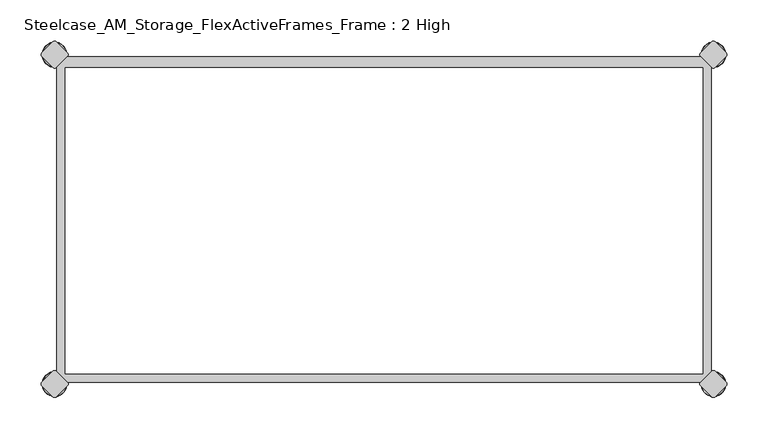
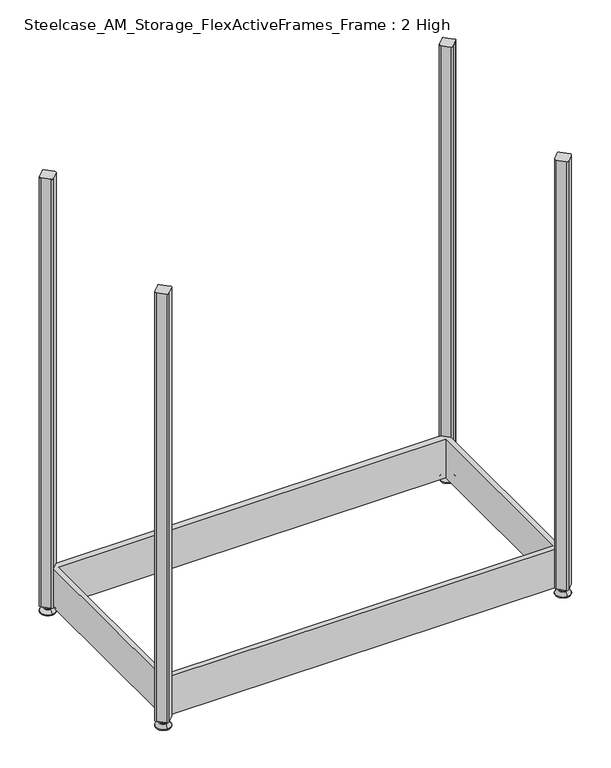
"""IFC4 building model written with IfcOpenShell, lengths in millimetres: furniture geometry, Steelcase_AM_Storage_FlexActiveFrames_Frame : 2 High."""

from ifc_helpers import new_model, si_unit, point, frame, frame_2d, origin, place, context, project, spatial, polyline, circle_curve, ellipse_curve, trimmed, segment, composite_curve, outline, extrude, source, transform, mapped, element, save
from ifc_brep_helpers import plane_surface, cylinder_surface, revolved_surface, advanced_brep


def steelcase_am_storage_flexactiveframes_frame_2_high_db14995c(model_context):
    return source(origin(), model_context, "Body", "SolidModel", [
        extrude(outline(polyline([(2.54, -384.9123305), (2.54, -15.1376695), (15.1376695, -2.54), (784.9623305, -2.54), (797.56, -15.1376695), (797.56, -384.9123305), (784.9623305, -397.51), (15.1376695, -397.51), (2.54, -384.9123305)]), holes=[polyline([(12.7, -15.748), (12.7, -387.35), (787.4, -387.35), (787.4, -15.748), (12.7, -15.748)])]), frame((0.0, 0.0, 15.9766), z_axis=(0.0, 0.0, 1.0), x_axis=(1.0, 0.0, 0.0)), (0.0, 0.0, 1.0), 81.28),
        advanced_brep(
        [(800.1, 3.999659, 15.9766), (800.1, -3.999659, 15.9766), (800.1, 0.0, 15.9766), (800.1, 3.999659, 12.6000054), (800.1, -3.999659, 12.6000054), (800.1, 5.8601455, 12.6000054), (800.1, -5.8601455, 12.6000054), (800.1, 6.4951462, 11.9650074), (800.1, -6.4951462, 11.9650074), (800.1, 6.4951462, 9.0000124), (800.1, -6.4951462, 9.0000124), (800.1, 8.7421976, 9.0000124), (800.1, -8.7421976, 9.0000124), (800.1, 14.7060077, 2.3275608), (800.1, -14.7060077, 2.3275608), (800.1, 13.664601, 0.0), (800.1, -13.664601, 0.0), (800.1, 0.0, 0.0)],
        [
            (0, 1, circle_curve(frame((800.1, 0.0, 15.9766), z_axis=(0.0, 0.0, 1.0), x_axis=(0.0, -1.0, 0.0)), 3.999659)),
            (1, 2),
            (2, 0),
            (1, 0, circle_curve(frame((800.1, 0.0, 15.9766), z_axis=(0.0, 0.0, 1.0), x_axis=(0.0, -1.0, 0.0)), 3.999659)),
            (3, 4, circle_curve(frame((800.1, 0.0, 12.6000054), z_axis=(0.0, 0.0, 1.0), x_axis=(0.0, -1.0, 0.0)), 3.999659)),
            (4, 1),
            (0, 3),
            (4, 3, circle_curve(frame((800.1, 0.0, 12.6000054), z_axis=(0.0, 0.0, 1.0), x_axis=(0.0, -1.0, 0.0)), 3.999659)),
            (5, 6, circle_curve(frame((800.1, 0.0, 12.6000054), z_axis=(0.0, 0.0, 1.0), x_axis=(0.0, -1.0, 0.0)), 5.8601455)),
            (6, 4),
            (3, 5),
            (6, 5, circle_curve(frame((800.1, 0.0, 12.6000054), z_axis=(0.0, 0.0, 1.0), x_axis=(0.0, -1.0, 0.0)), 5.8601455)),
            (7, 8, circle_curve(frame((800.1, 0.0, 11.9650074), z_axis=(0.0, 0.0, 1.0), x_axis=(0.0, -1.0, 0.0)), 6.4951462)),
            (8, 6, circle_curve(frame((800.1, -5.8601462, 11.9650074), z_axis=(-1.0, 0.0, 0.0), x_axis=(0.0, -1.0, 0.0)), 0.635)),
            (5, 7, circle_curve(frame((800.1, 5.8601462, 11.9650074), z_axis=(-1.0, 0.0, 0.0), x_axis=(0.0, 1.0, 0.0)), 0.635)),
            (8, 7, circle_curve(frame((800.1, 0.0, 11.9650074), z_axis=(0.0, 0.0, 1.0), x_axis=(0.0, -1.0, 0.0)), 6.4951462)),
            (9, 10, circle_curve(frame((800.1, 0.0, 9.0000124), z_axis=(0.0, 0.0, 1.0), x_axis=(0.0, -1.0, 0.0)), 6.4951462)),
            (10, 8),
            (7, 9),
            (10, 9, circle_curve(frame((800.1, 0.0, 9.0000124), z_axis=(0.0, 0.0, 1.0), x_axis=(0.0, -1.0, 0.0)), 6.4951462)),
            (11, 12, circle_curve(frame((800.1, 0.0, 9.0000124), z_axis=(0.0, 0.0, 1.0), x_axis=(0.0, -1.0, 0.0)), 8.7421976)),
            (12, 10),
            (9, 11),
            (12, 11, circle_curve(frame((800.1, 0.0, 9.0000124), z_axis=(0.0, 0.0, 1.0), x_axis=(0.0, -1.0, 0.0)), 8.7421976)),
            (13, 14, circle_curve(frame((800.1, 0.0, 2.3275608), z_axis=(0.0, 0.0, 1.0), x_axis=(0.0, -1.0, 0.0)), 14.7060077)),
            (14, 12),
            (11, 13),
            (14, 13, circle_curve(frame((800.1, 0.0, 2.3275608), z_axis=(0.0, 0.0, 1.0), x_axis=(0.0, -1.0, 0.0)), 14.7060077)),
            (15, 16, circle_curve(frame((800.1, 0.0, 0.0), z_axis=(0.0, 0.0, 1.0), x_axis=(0.0, -1.0, 0.0)), 13.664601)),
            (16, 14, circle_curve(frame((800.1, -13.664601, 1.3967556), z_axis=(-1.0, 0.0, 0.0), x_axis=(0.0, -1.0, 0.0)), 1.3967556)),
            (13, 15, circle_curve(frame((800.1, 13.664601, 1.3967556), z_axis=(-1.0, 0.0, 0.0), x_axis=(0.0, 1.0, 0.0)), 1.3967556)),
            (16, 15, circle_curve(frame((800.1, 0.0, 0.0), z_axis=(0.0, 0.0, 1.0), x_axis=(0.0, -1.0, 0.0)), 13.664601)),
            (17, 16),
            (15, 17),
        ],
        [
            plane_surface(frame((800.1, 0.0, 15.9766), z_axis=(0.0, 0.0, 1.0), x_axis=(0.0, -1.0, 0.0))),
            cylinder_surface(frame((800.1, 0.0, -4.132372), z_axis=(0.0, 0.0, -1.0), x_axis=(0.0, -1.0, 0.0)), 3.999659),
            plane_surface(frame((800.1, 0.0, 12.6000054), z_axis=(0.0, 0.0, 1.0), x_axis=(0.0, -1.0, 0.0))),
            revolved_surface(trimmed(ellipse_curve(frame((800.1, -5.8601462, 11.9650074), z_axis=(1.0, 0.0, 0.0), x_axis=(0.0, -1.0, 0.0)), 0.635, 0.635), [point((800.1, -5.8601455, 12.6000074))], [point((800.1, -6.4951462, 11.9650074))], True, "CARTESIAN"), (800.1, 0.0, -4.132372), (0.0, 0.0, -1.0)),
            cylinder_surface(frame((800.1, 0.0, -4.132372), z_axis=(0.0, 0.0, -1.0), x_axis=(0.0, -1.0, 0.0)), 6.4951462),
            plane_surface(frame((800.1, 0.0, 9.0000124), z_axis=(0.0, 0.0, 1.0), x_axis=(0.0, -1.0, 0.0))),
            revolved_surface(polyline([(800.1, -8.7421976, 9.0000124), (800.1, -14.7060077, 2.3275608)]), (800.1, 0.0, -4.132372), (0.0, 0.0, -1.0)),
            revolved_surface(trimmed(ellipse_curve(frame((800.1, -13.664601, 1.3967556), z_axis=(1.0, 0.0, 0.0), x_axis=(0.0, -1.0, 0.0)), 1.3967556, 1.3967556), [point((800.1, -14.7060077, 2.3275608))], [point((800.1, -13.664601, 0.0))], True, "CARTESIAN"), (800.1, 0.0, -4.132372), (0.0, 0.0, -1.0)),
            plane_surface(frame((800.1, 0.0, 0.0), z_axis=(0.0, 0.0, -1.0), x_axis=(0.0, -1.0, 0.0))),
        ],
        [
            (0, [[1, 2, 3]]),
            (0, [[4, -3, -2]]),
            (1, [[5, 6, -1, 7]]),
            (1, [[8, -7, -4, -6]]),
            (2, [[9, 10, -5, 11]]),
            (2, [[12, -11, -8, -10]]),
            (3, [[13, 14, -9, 15]]),
            (3, [[16, -15, -12, -14]]),
            (4, [[17, 18, -13, 19]]),
            (4, [[20, -19, -16, -18]]),
            (5, [[21, 22, -17, 23]]),
            (5, [[24, -23, -20, -22]]),
            (6, [[25, 26, -21, 27]]),
            (6, [[28, -27, -24, -26]]),
            (7, [[29, 30, -25, 31]]),
            (7, [[32, -31, -28, -30]]),
            (8, [[33, -29, 34]]),
            (8, [[-34, -32, -33]]),
        ],
    ),
        advanced_brep(
        [(800.1, -400.05, 15.9766), (800.1, -396.050341, 15.9766), (800.1, -404.049659, 15.9766), (800.1, -396.050341, 12.6000054), (800.1, -404.049659, 12.6000054), (800.1, -394.1898545, 12.6000074), (800.1, -405.9101455, 12.6000074), (800.1, -393.5548538, 11.9650074), (800.1, -406.5451462, 11.9650074), (800.1, -393.5548538, 9.0000124), (800.1, -406.5451462, 9.0000124), (800.1, -391.3078024, 9.0000124), (800.1, -408.7921976, 9.0000124), (800.1, -385.3439923, 2.3275608), (800.1, -414.7560077, 2.3275608), (800.1, -386.385399, 0.0), (800.1, -413.714601, 0.0), (800.1, -400.05, 0.0)],
        [
            (0, 1),
            (1, 2, circle_curve(frame((800.1, -400.05, 15.9766), z_axis=(0.0, 0.0, 1.0), x_axis=(0.0, 1.0, 0.0)), 3.999659)),
            (2, 0),
            (2, 1, circle_curve(frame((800.1, -400.05, 15.9766), z_axis=(0.0, 0.0, 1.0), x_axis=(0.0, 1.0, 0.0)), 3.999659)),
            (1, 3),
            (3, 4, circle_curve(frame((800.1, -400.05, 12.6000054), z_axis=(0.0, 0.0, 1.0), x_axis=(0.0, 1.0, 0.0)), 3.999659)),
            (4, 2),
            (4, 3, circle_curve(frame((800.1, -400.05, 12.6000054), z_axis=(0.0, 0.0, 1.0), x_axis=(0.0, 1.0, 0.0)), 3.999659)),
            (3, 5),
            (5, 6, circle_curve(frame((800.1, -400.05, 12.6000074), z_axis=(0.0, 0.0, 1.0), x_axis=(0.0, 1.0, 0.0)), 5.8601455)),
            (6, 4),
            (6, 5, circle_curve(frame((800.1, -400.05, 12.6000074), z_axis=(0.0, 0.0, 1.0), x_axis=(0.0, 1.0, 0.0)), 5.8601455)),
            (5, 7, circle_curve(frame((800.1, -394.1898538, 11.9650074), z_axis=(-1.0, 0.0, 0.0), x_axis=(0.0, 1.0, 0.0)), 0.635)),
            (7, 8, circle_curve(frame((800.1, -400.05, 11.9650074), z_axis=(0.0, 0.0, 1.0), x_axis=(0.0, 1.0, 0.0)), 6.4951462)),
            (8, 6, circle_curve(frame((800.1, -405.9101462, 11.9650074), z_axis=(-1.0, 0.0, 0.0), x_axis=(0.0, -1.0, 0.0)), 0.635)),
            (8, 7, circle_curve(frame((800.1, -400.05, 11.9650074), z_axis=(0.0, 0.0, 1.0), x_axis=(0.0, 1.0, 0.0)), 6.4951462)),
            (7, 9),
            (9, 10, circle_curve(frame((800.1, -400.05, 9.0000124), z_axis=(0.0, 0.0, 1.0), x_axis=(0.0, 1.0, 0.0)), 6.4951462)),
            (10, 8),
            (10, 9, circle_curve(frame((800.1, -400.05, 9.0000124), z_axis=(0.0, 0.0, 1.0), x_axis=(0.0, 1.0, 0.0)), 6.4951462)),
            (9, 11),
            (11, 12, circle_curve(frame((800.1, -400.05, 9.0000124), z_axis=(0.0, 0.0, 1.0), x_axis=(0.0, 1.0, 0.0)), 8.7421976)),
            (12, 10),
            (12, 11, circle_curve(frame((800.1, -400.05, 9.0000124), z_axis=(0.0, 0.0, 1.0), x_axis=(0.0, 1.0, 0.0)), 8.7421976)),
            (11, 13),
            (13, 14, circle_curve(frame((800.1, -400.05, 2.3275608), z_axis=(0.0, 0.0, 1.0), x_axis=(0.0, 1.0, 0.0)), 14.7060077)),
            (14, 12),
            (14, 13, circle_curve(frame((800.1, -400.05, 2.3275608), z_axis=(0.0, 0.0, 1.0), x_axis=(0.0, 1.0, 0.0)), 14.7060077)),
            (13, 15, circle_curve(frame((800.1, -386.385399, 1.3967556), z_axis=(-1.0, 0.0, 0.0), x_axis=(0.0, 1.0, 0.0)), 1.3967556)),
            (15, 16, circle_curve(frame((800.1, -400.05, 0.0), z_axis=(0.0, 0.0, 1.0), x_axis=(0.0, 1.0, 0.0)), 13.664601)),
            (16, 14, circle_curve(frame((800.1, -413.714601, 1.3967556), z_axis=(-1.0, 0.0, 0.0), x_axis=(0.0, -1.0, 0.0)), 1.3967556)),
            (16, 15, circle_curve(frame((800.1, -400.05, 0.0), z_axis=(0.0, 0.0, 1.0), x_axis=(0.0, 1.0, 0.0)), 13.664601)),
            (15, 17),
            (17, 16),
        ],
        [
            plane_surface(frame((800.1, -400.05, 15.9766), z_axis=(0.0, 0.0, 1.0), x_axis=(0.0, 1.0, 0.0))),
            cylinder_surface(frame((800.1, -400.05, -4.132372), z_axis=(0.0, 0.0, 1.0), x_axis=(0.0, 1.0, 0.0)), 3.999659),
            plane_surface(frame((800.1, -400.05, 12.6000074), z_axis=(0.0, 0.0, 1.0), x_axis=(0.0, 1.0, 0.0))),
            revolved_surface(trimmed(ellipse_curve(frame((800.1, -394.1898538, 11.9650074), z_axis=(1.0, 0.0, 0.0), x_axis=(0.0, 1.0, 0.0)), 0.635, 0.635), [point((800.1, -393.5548538, 11.9650074))], [point((800.1, -394.1898545, 12.6000074))], True, "CARTESIAN"), (800.1, -400.05, -4.132372), (0.0, 0.0, 1.0)),
            cylinder_surface(frame((800.1, -400.05, -4.132372), z_axis=(0.0, 0.0, 1.0), x_axis=(0.0, 1.0, 0.0)), 6.4951462),
            plane_surface(frame((800.1, -400.05, 9.0000124), z_axis=(0.0, 0.0, 1.0), x_axis=(0.0, 1.0, 0.0))),
            revolved_surface(polyline([(800.1, -385.3439923, 2.3275608), (800.1, -391.3078024, 9.0000124)]), (800.1, -400.05, -4.132372), (0.0, 0.0, 1.0)),
            revolved_surface(trimmed(ellipse_curve(frame((800.1, -386.385399, 1.3967556), z_axis=(1.0, 0.0, 0.0), x_axis=(0.0, 1.0, 0.0)), 1.3967556, 1.3967556), [point((800.1, -386.385399, 0.0))], [point((800.1, -385.3439923, 2.3275608))], True, "CARTESIAN"), (800.1, -400.05, -4.132372), (0.0, 0.0, 1.0)),
            plane_surface(frame((800.1, -400.05, 0.0), z_axis=(0.0, 0.0, -1.0), x_axis=(0.0, 1.0, 0.0))),
        ],
        [
            (0, [[1, 2, 3]]),
            (0, [[-3, 4, -1]]),
            (1, [[-2, 5, 6, 7]]),
            (1, [[-4, -7, 8, -5]]),
            (2, [[-6, 9, 10, 11]]),
            (2, [[-8, -11, 12, -9]]),
            (3, [[-10, 13, 14, 15]]),
            (3, [[-12, -15, 16, -13]]),
            (4, [[-14, 17, 18, 19]]),
            (4, [[-16, -19, 20, -17]]),
            (5, [[-18, 21, 22, 23]]),
            (5, [[-20, -23, 24, -21]]),
            (6, [[-22, 25, 26, 27]]),
            (6, [[-24, -27, 28, -25]]),
            (7, [[-26, 29, 30, 31]]),
            (7, [[-28, -31, 32, -29]]),
            (8, [[-30, 33, 34]]),
            (8, [[-32, -34, -33]]),
        ],
    ),
        advanced_brep(
        [(0.0, -400.05, 15.9766), (0.0, -396.050341, 15.9766), (0.0, -404.049659, 15.9766), (0.0, -396.050341, 12.6000054), (0.0, -404.049659, 12.6000054), (0.0, -394.1898545, 12.6000074), (0.0, -405.9101455, 12.6000074), (0.0, -393.5548538, 11.9650074), (0.0, -406.5451462, 11.9650074), (0.0, -393.5548538, 9.0000124), (0.0, -406.5451462, 9.0000124), (0.0, -391.3078024, 9.0000124), (0.0, -408.7921976, 9.0000124), (0.0, -385.3439923, 2.3275608), (0.0, -414.7560077, 2.3275608), (0.0, -386.385399, 0.0), (0.0, -413.714601, 0.0), (0.0, -400.05, 0.0)],
        [
            (0, 1),
            (1, 2, circle_curve(frame((0.0, -400.05, 15.9766), z_axis=(0.0, 0.0, 1.0), x_axis=(0.0, 1.0, 0.0)), 3.999659)),
            (2, 0),
            (2, 1, circle_curve(frame((0.0, -400.05, 15.9766), z_axis=(0.0, 0.0, 1.0), x_axis=(0.0, 1.0, 0.0)), 3.999659)),
            (1, 3),
            (3, 4, circle_curve(frame((0.0, -400.05, 12.6000054), z_axis=(0.0, 0.0, 1.0), x_axis=(0.0, 1.0, 0.0)), 3.999659)),
            (4, 2),
            (4, 3, circle_curve(frame((0.0, -400.05, 12.6000054), z_axis=(0.0, 0.0, 1.0), x_axis=(0.0, 1.0, 0.0)), 3.999659)),
            (3, 5),
            (5, 6, circle_curve(frame((0.0, -400.05, 12.6000074), z_axis=(0.0, 0.0, 1.0), x_axis=(0.0, 1.0, 0.0)), 5.8601455)),
            (6, 4),
            (6, 5, circle_curve(frame((0.0, -400.05, 12.6000074), z_axis=(0.0, 0.0, 1.0), x_axis=(0.0, 1.0, 0.0)), 5.8601455)),
            (5, 7, circle_curve(frame((0.0, -394.1898538, 11.9650074), z_axis=(-1.0, 0.0, 0.0), x_axis=(0.0, -1.0, 0.0)), 0.635)),
            (7, 8, circle_curve(frame((0.0, -400.05, 11.9650074), z_axis=(0.0, 0.0, 1.0), x_axis=(0.0, 1.0, 0.0)), 6.4951462)),
            (8, 6, circle_curve(frame((0.0, -405.9101462, 11.9650074), z_axis=(-1.0, 0.0, 0.0), x_axis=(0.0, 1.0, 0.0)), 0.635)),
            (8, 7, circle_curve(frame((0.0, -400.05, 11.9650074), z_axis=(0.0, 0.0, 1.0), x_axis=(0.0, 1.0, 0.0)), 6.4951462)),
            (7, 9),
            (9, 10, circle_curve(frame((0.0, -400.05, 9.0000124), z_axis=(0.0, 0.0, 1.0), x_axis=(0.0, 1.0, 0.0)), 6.4951462)),
            (10, 8),
            (10, 9, circle_curve(frame((0.0, -400.05, 9.0000124), z_axis=(0.0, 0.0, 1.0), x_axis=(0.0, 1.0, 0.0)), 6.4951462)),
            (9, 11),
            (11, 12, circle_curve(frame((0.0, -400.05, 9.0000124), z_axis=(0.0, 0.0, 1.0), x_axis=(0.0, 1.0, 0.0)), 8.7421976)),
            (12, 10),
            (12, 11, circle_curve(frame((0.0, -400.05, 9.0000124), z_axis=(0.0, 0.0, 1.0), x_axis=(0.0, 1.0, 0.0)), 8.7421976)),
            (11, 13),
            (13, 14, circle_curve(frame((0.0, -400.05, 2.3275608), z_axis=(0.0, 0.0, 1.0), x_axis=(0.0, 1.0, 0.0)), 14.7060077)),
            (14, 12),
            (14, 13, circle_curve(frame((0.0, -400.05, 2.3275608), z_axis=(0.0, 0.0, 1.0), x_axis=(0.0, 1.0, 0.0)), 14.7060077)),
            (13, 15, circle_curve(frame((0.0, -386.385399, 1.3967556), z_axis=(-1.0, 0.0, 0.0), x_axis=(0.0, -1.0, 0.0)), 1.3967556)),
            (15, 16, circle_curve(frame((0.0, -400.05, 0.0), z_axis=(0.0, 0.0, 1.0), x_axis=(0.0, 1.0, 0.0)), 13.664601)),
            (16, 14, circle_curve(frame((0.0, -413.714601, 1.3967556), z_axis=(-1.0, 0.0, 0.0), x_axis=(0.0, 1.0, 0.0)), 1.3967556)),
            (16, 15, circle_curve(frame((0.0, -400.05, 0.0), z_axis=(0.0, 0.0, 1.0), x_axis=(0.0, 1.0, 0.0)), 13.664601)),
            (15, 17),
            (17, 16),
        ],
        [
            plane_surface(frame((0.0, -400.05, 15.9766), z_axis=(0.0, 0.0, 1.0), x_axis=(0.0, 1.0, 0.0))),
            cylinder_surface(frame((0.0, -400.05, -4.132372), z_axis=(0.0, 0.0, 1.0), x_axis=(0.0, 1.0, 0.0)), 3.999659),
            plane_surface(frame((0.0, -400.05, 12.6000074), z_axis=(0.0, 0.0, 1.0), x_axis=(0.0, 1.0, 0.0))),
            revolved_surface(trimmed(ellipse_curve(frame((0.0, -394.1898538, 11.9650074), z_axis=(1.0, 0.0, 0.0), x_axis=(0.0, -1.0, 0.0)), 0.635, 0.635), [point((0.0, -393.5548538, 11.9650074))], [point((0.0, -394.1898545, 12.6000074))], True, "CARTESIAN"), (0.0, -400.05, -4.132372), (0.0, 0.0, 1.0)),
            cylinder_surface(frame((0.0, -400.05, -4.132372), z_axis=(0.0, 0.0, 1.0), x_axis=(0.0, 1.0, 0.0)), 6.4951462),
            plane_surface(frame((0.0, -400.05, 9.0000124), z_axis=(0.0, 0.0, 1.0), x_axis=(0.0, 1.0, 0.0))),
            revolved_surface(polyline([(0.0, -385.3439923, 2.3275608), (0.0, -391.3078024, 9.0000124)]), (0.0, -400.05, -4.132372), (0.0, 0.0, 1.0)),
            revolved_surface(trimmed(ellipse_curve(frame((0.0, -386.385399, 1.3967556), z_axis=(1.0, 0.0, 0.0), x_axis=(0.0, -1.0, 0.0)), 1.3967556, 1.3967556), [point((0.0, -386.385399, 0.0))], [point((0.0, -385.3439923, 2.3275608))], True, "CARTESIAN"), (0.0, -400.05, -4.132372), (0.0, 0.0, 1.0)),
            plane_surface(frame((0.0, -400.05, 0.0), z_axis=(0.0, 0.0, -1.0), x_axis=(0.0, 1.0, 0.0))),
        ],
        [
            (0, [[1, 2, 3]]),
            (0, [[-3, 4, -1]]),
            (1, [[-2, 5, 6, 7]]),
            (1, [[-4, -7, 8, -5]]),
            (2, [[-6, 9, 10, 11]]),
            (2, [[-8, -11, 12, -9]]),
            (3, [[-10, 13, 14, 15]]),
            (3, [[-12, -15, 16, -13]]),
            (4, [[-14, 17, 18, 19]]),
            (4, [[-16, -19, 20, -17]]),
            (5, [[-18, 21, 22, 23]]),
            (5, [[-20, -23, 24, -21]]),
            (6, [[-22, 25, 26, 27]]),
            (6, [[-24, -27, 28, -25]]),
            (7, [[-26, 29, 30, 31]]),
            (7, [[-28, -31, 32, -29]]),
            (8, [[-30, 33, 34]]),
            (8, [[-32, -34, -33]]),
        ],
    ),
        advanced_brep(
        [(0.0, 3.999659, 15.9766), (0.0, -3.999659, 15.9766), (0.0, 0.0, 15.9766), (0.0, 3.999659, 12.6000054), (0.0, -3.999659, 12.6000054), (0.0, 5.8601455, 12.6000054), (0.0, -5.8601455, 12.6000054), (0.0, 6.4951462, 11.9650074), (0.0, -6.4951462, 11.9650074), (0.0, 6.4951462, 9.0000124), (0.0, -6.4951462, 9.0000124), (0.0, 8.7421976, 9.0000124), (0.0, -8.7421976, 9.0000124), (0.0, 14.7060077, 2.3275608), (0.0, -14.7060077, 2.3275608), (0.0, 13.664601, 0.0), (0.0, -13.664601, 0.0), (0.0, 0.0, 0.0)],
        [
            (0, 1, circle_curve(frame((0.0, 0.0, 15.9766), z_axis=(0.0, 0.0, 1.0), x_axis=(0.0, -1.0, 0.0)), 3.999659)),
            (1, 2),
            (2, 0),
            (1, 0, circle_curve(frame((0.0, 0.0, 15.9766), z_axis=(0.0, 0.0, 1.0), x_axis=(0.0, -1.0, 0.0)), 3.999659)),
            (3, 4, circle_curve(frame((0.0, 0.0, 12.6000054), z_axis=(0.0, 0.0, 1.0), x_axis=(0.0, -1.0, 0.0)), 3.999659)),
            (4, 1),
            (0, 3),
            (4, 3, circle_curve(frame((0.0, 0.0, 12.6000054), z_axis=(0.0, 0.0, 1.0), x_axis=(0.0, -1.0, 0.0)), 3.999659)),
            (5, 6, circle_curve(frame((0.0, 0.0, 12.6000054), z_axis=(0.0, 0.0, 1.0), x_axis=(0.0, -1.0, 0.0)), 5.8601455)),
            (6, 4),
            (3, 5),
            (6, 5, circle_curve(frame((0.0, 0.0, 12.6000054), z_axis=(0.0, 0.0, 1.0), x_axis=(0.0, -1.0, 0.0)), 5.8601455)),
            (7, 8, circle_curve(frame((0.0, 0.0, 11.9650074), z_axis=(0.0, 0.0, 1.0), x_axis=(0.0, -1.0, 0.0)), 6.4951462)),
            (8, 6, circle_curve(frame((0.0, -5.8601462, 11.9650074), z_axis=(-1.0, 0.0, 0.0), x_axis=(0.0, 1.0, 0.0)), 0.635)),
            (5, 7, circle_curve(frame((0.0, 5.8601462, 11.9650074), z_axis=(-1.0, 0.0, 0.0), x_axis=(0.0, -1.0, 0.0)), 0.635)),
            (8, 7, circle_curve(frame((0.0, 0.0, 11.9650074), z_axis=(0.0, 0.0, 1.0), x_axis=(0.0, -1.0, 0.0)), 6.4951462)),
            (9, 10, circle_curve(frame((0.0, 0.0, 9.0000124), z_axis=(0.0, 0.0, 1.0), x_axis=(0.0, -1.0, 0.0)), 6.4951462)),
            (10, 8),
            (7, 9),
            (10, 9, circle_curve(frame((0.0, 0.0, 9.0000124), z_axis=(0.0, 0.0, 1.0), x_axis=(0.0, -1.0, 0.0)), 6.4951462)),
            (11, 12, circle_curve(frame((0.0, 0.0, 9.0000124), z_axis=(0.0, 0.0, 1.0), x_axis=(0.0, -1.0, 0.0)), 8.7421976)),
            (12, 10),
            (9, 11),
            (12, 11, circle_curve(frame((0.0, 0.0, 9.0000124), z_axis=(0.0, 0.0, 1.0), x_axis=(0.0, -1.0, 0.0)), 8.7421976)),
            (13, 14, circle_curve(frame((0.0, 0.0, 2.3275608), z_axis=(0.0, 0.0, 1.0), x_axis=(0.0, -1.0, 0.0)), 14.7060077)),
            (14, 12),
            (11, 13),
            (14, 13, circle_curve(frame((0.0, 0.0, 2.3275608), z_axis=(0.0, 0.0, 1.0), x_axis=(0.0, -1.0, 0.0)), 14.7060077)),
            (15, 16, circle_curve(frame((0.0, 0.0, 0.0), z_axis=(0.0, 0.0, 1.0), x_axis=(0.0, -1.0, 0.0)), 13.664601)),
            (16, 14, circle_curve(frame((0.0, -13.664601, 1.3967556), z_axis=(-1.0, 0.0, 0.0), x_axis=(0.0, 1.0, 0.0)), 1.3967556)),
            (13, 15, circle_curve(frame((0.0, 13.664601, 1.3967556), z_axis=(-1.0, 0.0, 0.0), x_axis=(0.0, -1.0, 0.0)), 1.3967556)),
            (16, 15, circle_curve(frame((0.0, 0.0, 0.0), z_axis=(0.0, 0.0, 1.0), x_axis=(0.0, -1.0, 0.0)), 13.664601)),
            (17, 16),
            (15, 17),
        ],
        [
            plane_surface(frame((0.0, 0.0, 15.9766), z_axis=(0.0, 0.0, 1.0), x_axis=(0.0, -1.0, 0.0))),
            cylinder_surface(frame((0.0, 0.0, -4.132372), z_axis=(0.0, 0.0, -1.0), x_axis=(0.0, -1.0, 0.0)), 3.999659),
            plane_surface(frame((0.0, 0.0, 12.6000054), z_axis=(0.0, 0.0, 1.0), x_axis=(0.0, -1.0, 0.0))),
            revolved_surface(trimmed(ellipse_curve(frame((0.0, -5.8601462, 11.9650074), z_axis=(1.0, 0.0, 0.0), x_axis=(0.0, 1.0, 0.0)), 0.635, 0.635), [point((0.0, -5.8601455, 12.6000074))], [point((0.0, -6.4951462, 11.9650074))], True, "CARTESIAN"), (0.0, 0.0, -4.132372), (0.0, 0.0, -1.0)),
            cylinder_surface(frame((0.0, 0.0, -4.132372), z_axis=(0.0, 0.0, -1.0), x_axis=(0.0, -1.0, 0.0)), 6.4951462),
            plane_surface(frame((0.0, 0.0, 9.0000124), z_axis=(0.0, 0.0, 1.0), x_axis=(0.0, -1.0, 0.0))),
            revolved_surface(polyline([(0.0, -8.7421976, 9.0000124), (0.0, -14.7060077, 2.3275608)]), (0.0, 0.0, -4.132372), (0.0, 0.0, -1.0)),
            revolved_surface(trimmed(ellipse_curve(frame((0.0, -13.664601, 1.3967556), z_axis=(1.0, 0.0, 0.0), x_axis=(0.0, 1.0, 0.0)), 1.3967556, 1.3967556), [point((0.0, -14.7060077, 2.3275608))], [point((0.0, -13.664601, 0.0))], True, "CARTESIAN"), (0.0, 0.0, -4.132372), (0.0, 0.0, -1.0)),
            plane_surface(frame((0.0, 0.0, 0.0), z_axis=(0.0, 0.0, -1.0), x_axis=(0.0, -1.0, 0.0))),
        ],
        [
            (0, [[1, 2, 3]]),
            (0, [[4, -3, -2]]),
            (1, [[5, 6, -1, 7]]),
            (1, [[8, -7, -4, -6]]),
            (2, [[9, 10, -5, 11]]),
            (2, [[12, -11, -8, -10]]),
            (3, [[13, 14, -9, 15]]),
            (3, [[16, -15, -12, -14]]),
            (4, [[17, 18, -13, 19]]),
            (4, [[20, -19, -16, -18]]),
            (5, [[21, 22, -17, 23]]),
            (5, [[24, -23, -20, -22]]),
            (6, [[25, 26, -21, 27]]),
            (6, [[28, -27, -24, -26]]),
            (7, [[29, 30, -25, 31]]),
            (7, [[32, -31, -28, -30]]),
            (8, [[33, -29, 34]]),
            (8, [[-34, -32, -33]]),
        ],
    ),
        extrude(outline(composite_curve([segment(polyline([(-2.245064, -15.4326055), (-15.4326055, -2.245064)]), True, "CONTINUOUS"), segment(trimmed(circle_curve(frame_2d((-13.1875415, 0.0)), 3.175), [point((-15.4326055, -2.245064))], [point((-15.4326055, 2.245064))], False, "CARTESIAN"), True, "CONTINUOUS"), segment(polyline([(-15.4326055, 2.245064), (-2.245064, 15.4326055)]), True, "CONTINUOUS"), segment(trimmed(circle_curve(frame_2d((0.0, 13.1875415)), 3.175), [point((-2.245064, 15.4326055))], [point((2.245064, 15.4326055))], False, "CARTESIAN"), True, "CONTINUOUS"), segment(polyline([(2.245064, 15.4326055), (15.4326055, 2.245064)]), True, "CONTINUOUS"), segment(trimmed(circle_curve(frame_2d((13.1875415, 0.0)), 3.175), [point((15.4326055, 2.245064))], [point((15.4326055, -2.245064))], False, "CARTESIAN"), True, "CONTINUOUS"), segment(polyline([(15.4326055, -2.245064), (2.245064, -15.4326055)]), True, "CONTINUOUS"), segment(trimmed(circle_curve(frame_2d((0.0, -13.1875415)), 3.175), [point((2.245064, -15.4326055))], [point((-2.245064, -15.4326055))], False, "CARTESIAN"), True, "CONTINUOUS")], self_intersect=False)), frame((0.0, 0.0, 15.9766), z_axis=(0.0, 0.0, 1.0), x_axis=(1.0, 0.0, 0.0)), (0.0, 0.0, 1.0), 907.3134),
        extrude(outline(composite_curve([segment(trimmed(circle_curve(frame_2d((800.1, -13.1875415)), 3.175), [point((802.345064, -15.4326055))], [point((797.854936, -15.4326055))], False, "CARTESIAN"), True, "CONTINUOUS"), segment(polyline([(797.854936, -15.4326055), (784.6673945, -2.245064)]), True, "CONTINUOUS"), segment(trimmed(circle_curve(frame_2d((786.9124585, 0.0)), 3.175), [point((784.6673945, -2.245064))], [point((784.6673945, 2.245064))], False, "CARTESIAN"), True, "CONTINUOUS"), segment(polyline([(784.6673945, 2.245064), (797.854936, 15.4326055)]), True, "CONTINUOUS"), segment(trimmed(circle_curve(frame_2d((800.1, 13.1875415)), 3.175), [point((797.854936, 15.4326055))], [point((802.345064, 15.4326055))], False, "CARTESIAN"), True, "CONTINUOUS"), segment(polyline([(802.345064, 15.4326055), (815.5326055, 2.245064)]), True, "CONTINUOUS"), segment(trimmed(circle_curve(frame_2d((813.2875415, 0.0)), 3.175), [point((815.5326055, 2.245064))], [point((815.5326055, -2.245064))], False, "CARTESIAN"), True, "CONTINUOUS"), segment(polyline([(815.5326055, -2.245064), (802.345064, -15.4326055)]), True, "CONTINUOUS")], self_intersect=False)), frame((0.0, 0.0, 15.9766), z_axis=(0.0, 0.0, 1.0), x_axis=(1.0, 0.0, 0.0)), (0.0, 0.0, 1.0), 907.3134),
        extrude(outline(composite_curve([segment(polyline([(802.345064, -384.6173945), (815.5326055, -397.804936)]), True, "CONTINUOUS"), segment(trimmed(circle_curve(frame_2d((813.2875415, -400.05)), 3.175), [point((815.5326055, -397.804936))], [point((815.5326055, -402.295064))], False, "CARTESIAN"), True, "CONTINUOUS"), segment(polyline([(815.5326055, -402.295064), (802.345064, -415.4826055)]), True, "CONTINUOUS"), segment(trimmed(circle_curve(frame_2d((800.1, -413.2375415)), 3.175), [point((802.345064, -415.4826055))], [point((797.854936, -415.4826055))], False, "CARTESIAN"), True, "CONTINUOUS"), segment(polyline([(797.854936, -415.4826055), (784.6673945, -402.295064)]), True, "CONTINUOUS"), segment(trimmed(circle_curve(frame_2d((786.9124585, -400.05)), 3.175), [point((784.6673945, -402.295064))], [point((784.6673945, -397.804936))], False, "CARTESIAN"), True, "CONTINUOUS"), segment(polyline([(784.6673945, -397.804936), (797.854936, -384.6173945)]), True, "CONTINUOUS"), segment(trimmed(circle_curve(frame_2d((800.1, -386.8624585)), 3.175), [point((797.854936, -384.6173945))], [point((802.345064, -384.6173945))], False, "CARTESIAN"), True, "CONTINUOUS")], self_intersect=False)), frame((0.0, 0.0, 15.9766), z_axis=(0.0, 0.0, 1.0), x_axis=(1.0, 0.0, 0.0)), (0.0, 0.0, 1.0), 907.3134),
        extrude(outline(composite_curve([segment(trimmed(circle_curve(frame_2d((0.0, -386.8624585)), 3.175), [point((-2.245064, -384.6173945))], [point((2.245064, -384.6173945))], False, "CARTESIAN"), True, "CONTINUOUS"), segment(polyline([(2.245064, -384.6173945), (15.4326055, -397.804936)]), True, "CONTINUOUS"), segment(trimmed(circle_curve(frame_2d((13.1875415, -400.05)), 3.175), [point((15.4326055, -397.804936))], [point((15.4326055, -402.295064))], False, "CARTESIAN"), True, "CONTINUOUS"), segment(polyline([(15.4326055, -402.295064), (2.245064, -415.4826055)]), True, "CONTINUOUS"), segment(trimmed(circle_curve(frame_2d((0.0, -413.2375415)), 3.175), [point((2.245064, -415.4826055))], [point((-2.245064, -415.4826055))], False, "CARTESIAN"), True, "CONTINUOUS"), segment(polyline([(-2.245064, -415.4826055), (-15.4326055, -402.295064)]), True, "CONTINUOUS"), segment(trimmed(circle_curve(frame_2d((-13.1875415, -400.05)), 3.175), [point((-15.4326055, -402.295064))], [point((-15.4326055, -397.804936))], False, "CARTESIAN"), True, "CONTINUOUS"), segment(polyline([(-15.4326055, -397.804936), (-2.245064, -384.6173945)]), True, "CONTINUOUS")], self_intersect=False)), frame((0.0, 0.0, 15.9766), z_axis=(0.0, 0.0, 1.0), x_axis=(1.0, 0.0, 0.0)), (0.0, 0.0, 1.0), 907.3134),
    ])


if __name__ == "__main__":
    model = new_model("IFC4")
    model_context = context("Model", 3, world=origin())
    ifc_project = project(units=[si_unit("LENGTHUNIT", "METRE", prefix="MILLI")], contexts=[model_context])
    site = spatial("IfcSite", under=ifc_project)
    building = spatial("IfcBuilding", under=site)
    placement = place(None, origin())
    steelcase_am_storage_flexactiveframes_frame_2_high_shape = steelcase_am_storage_flexactiveframes_frame_2_high_db14995c(model_context)
    element("IfcFurniture", 1, ObjectType="Steelcase_AM_Storage_FlexActiveFrames_Frame : 2 High", at=placement, inside=building, context=model_context, shape_type="MappedRepresentation", body=[
        mapped(steelcase_am_storage_flexactiveframes_frame_2_high_shape, transform((0.0, 0.0, 0.0), x_axis=(1.0, 0.0, 0.0), y_axis=(0.0, 1.0, 0.0), z_axis=(0.0, 0.0, 1.0))),
    ])
    save(model, "model.ifc")
